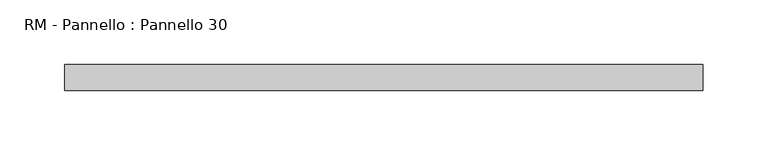
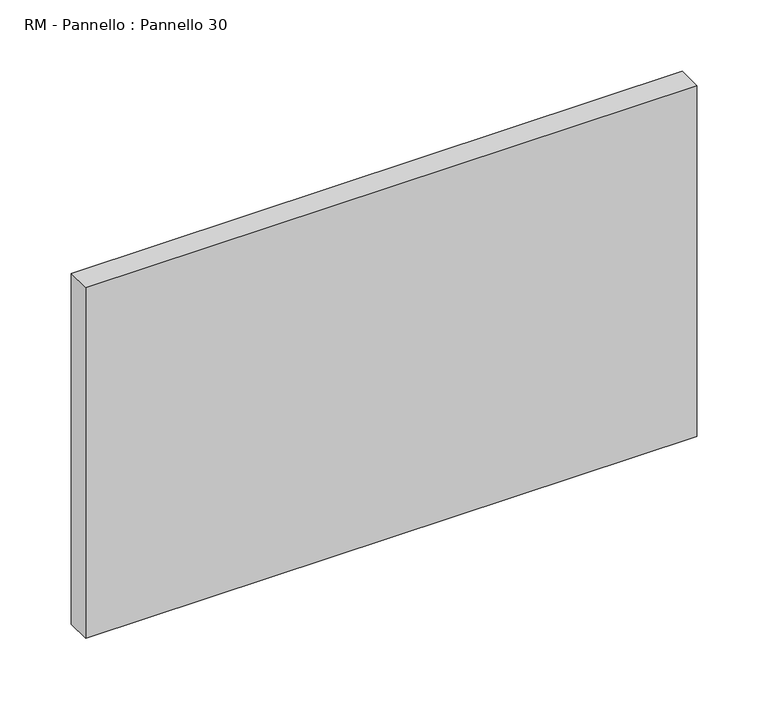
"""IFC4 building model written with IfcOpenShell, lengths in millimetres: plate geometry, RM - Pannello : Pannello 30."""

from ifc_helpers import new_model, si_unit, origin, origin_with_axes, place, context, project, spatial, polyline, outline, extrude, source, transform, mapped, element, save


def rm_pannello_pannello_30_f4f3f712(model_context):
    return source(origin(), model_context, "Body", "SweptSolid", [
        extrude(outline(polyline([(247.0, 200.0), (247.0, 180.0), (-247.0, 180.0), (-247.0, 200.0), (247.0, 200.0)])), origin_with_axes(), (0.0, 0.0, 1.0), 300.0),
    ])


if __name__ == "__main__":
    model = new_model("IFC4")
    model_context = context("Model", 3, world=origin())
    ifc_project = project(units=[si_unit("LENGTHUNIT", "METRE", prefix="MILLI")], contexts=[model_context])
    site = spatial("IfcSite", under=ifc_project)
    building = spatial("IfcBuilding", under=site)
    placement = place(None, origin())
    rm_pannello_pannello_30_shape = rm_pannello_pannello_30_f4f3f712(model_context)
    element("IfcPlate", 1, ObjectType="RM - Pannello : Pannello 30", at=placement, inside=building, context=model_context, shape_type="MappedRepresentation", body=[
        mapped(rm_pannello_pannello_30_shape, transform((0.0, 0.0, 0.0), x_axis=(1.0, 0.0, 0.0), y_axis=(0.0, 1.0, 0.0), z_axis=(0.0, 0.0, 1.0))),
    ])
    save(model, "model.ifc")
